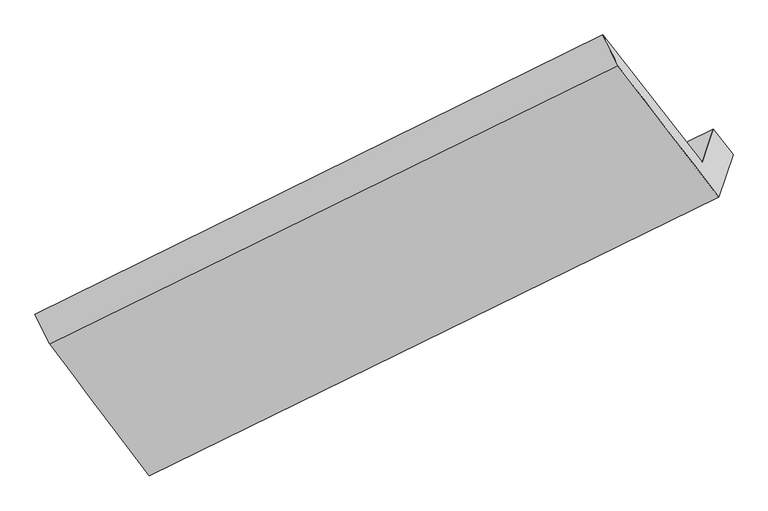
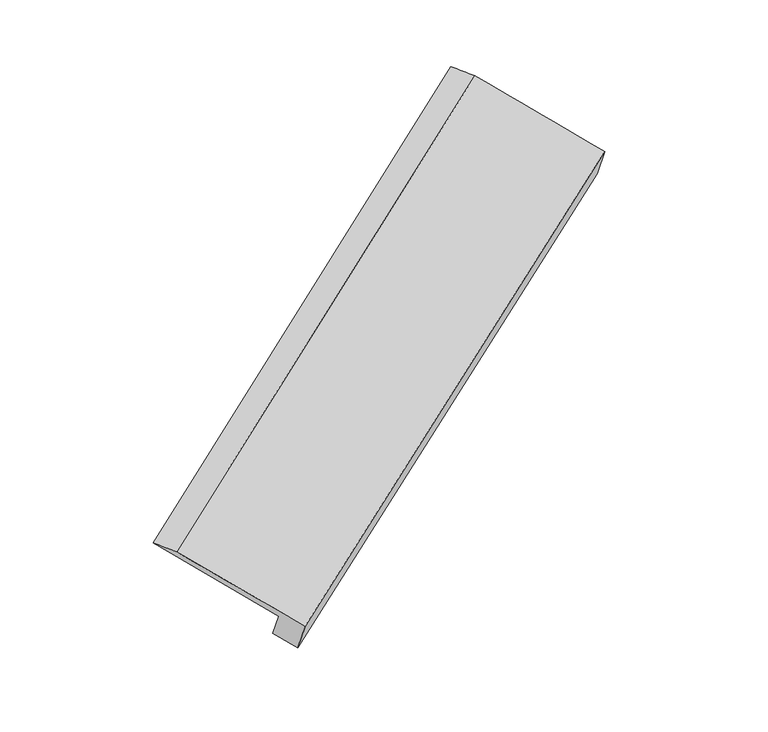
"""IFC4 building model written with IfcOpenShell, lengths in millimetres: proxy geometry."""

import ifcopenshell
import ifcopenshell.guid

model = None  # the IFC model being written
_history = None  # IfcOwnerHistory: only IFC2X3 demands one
_inside = {}  # id of a spatial element -> (the spatial element, [elements in it])
_under = {}  # id of a project, library or spatial element -> (it, [spatial elements below it])
_declared = {}  # id of a project -> (the project, [libraries it declares])
_typed = {}  # id of a type object -> (the type object, [elements of that type])
_made_of = {}  # id of a material, layer set ... -> (it, [elements and type objects made of it])


def new_model(schema):
    """Start an empty IFC model of exactly this schema.

    Asked for "IFC4X3", IfcOpenShell would pick the latest addendum, in which some entities
    have other attributes; the version numbers below select the first issue.
    IFC2X3 requires an IfcOwnerHistory on every rooted entity: one is made here for all.
    """
    global model, _history
    if schema == "IFC4X3":
        model = ifcopenshell.file(schema_version=(4, 3, 0, 0))
    else:
        model = ifcopenshell.file(schema=schema)
    _inside.clear()
    _under.clear()
    _declared.clear()
    _typed.clear()
    _made_of.clear()
    _history = None
    if model.schema == "IFC2X3":
        org = make("IfcOrganization", Name="unknown")
        user = make(
            "IfcPersonAndOrganization",
            ThePerson=make("IfcPerson", FamilyName="unknown"),
            TheOrganization=org,
        )
        app = make(
            "IfcApplication",
            ApplicationDeveloper=org,
            Version="unknown",
            ApplicationFullName="unknown",
            ApplicationIdentifier="unknown",
        )
        _history = make(
            "IfcOwnerHistory",
            OwningUser=user,
            OwningApplication=app,
            ChangeAction="ADDED",
            CreationDate=0,
        )
    return model


def make(cls, **values):
    """One entity of the class cls with the attributes given. An attribute that is None is left unset."""
    return model.create_entity(
        cls, **{name: value for name, value in values.items() if value is not None}
    )


def rooted(cls, **values):
    """An entity with a GlobalId (a new one), such as an element, a storey or a relation."""
    return make(cls, GlobalId=ifcopenshell.guid.new(), OwnerHistory=_history, **values)


def si_unit(unit_type, name, prefix=None):
    """IfcSIUnit, for example si_unit("LENGTHUNIT", "METRE", prefix="MILLI")."""
    return make("IfcSIUnit", UnitType=unit_type, Prefix=prefix, Name=name)


def assignment(units):
    """IfcUnitAssignment: the units of a project."""
    return None if units is None else make("IfcUnitAssignment", Units=units)


def point(xyz):
    """IfcCartesianPoint."""
    return None if xyz is None else make("IfcCartesianPoint", Coordinates=xyz)


def direction(xyz):
    """IfcDirection."""
    return None if xyz is None else make("IfcDirection", DirectionRatios=xyz)


def frame(location, z_axis=None, x_axis=None):
    """IfcAxis2Placement3D, a coordinate frame: its origin and axes. An axis left out is left unset."""
    return make(
        "IfcAxis2Placement3D",
        Location=point(location),
        Axis=direction(z_axis),
        RefDirection=direction(x_axis),
    )


def origin():
    """The frame at (0, 0, 0) with its axes left unset."""
    return frame((0.0, 0.0, 0.0))


def place(relative_to, where):
    """IfcLocalPlacement: puts the frame where relative to a parent placement (None: the world)."""
    return make(
        "IfcLocalPlacement", PlacementRelTo=relative_to, RelativePlacement=where
    )


def context(
    kind, dimensions, precision=None, world=None, true_north=None, identifier=None
):
    """IfcGeometricRepresentationContext, for example the 3D "Model" context."""
    return make(
        "IfcGeometricRepresentationContext",
        ContextIdentifier=identifier,
        ContextType=kind,
        CoordinateSpaceDimension=dimensions,
        Precision=precision,
        WorldCoordinateSystem=world,
        TrueNorth=true_north,
    )


def project(units=None, contexts=None):
    """IfcProject with its units and contexts."""
    return rooted(
        "IfcProject",
        Name="project",
        RepresentationContexts=contexts,
        UnitsInContext=assignment(units),
    )


def spatial(cls, under=None, at=None, **own):
    """A site, building, storey or space (cls), placed at a placement, below another one or the project."""
    s = rooted(cls, ObjectPlacement=at, **own)
    if under is not None:
        _under.setdefault(under.id(), (under, []))[1].append(s)
    return s


def shape(context_of_items, identifier, shape_type, items):
    """IfcShapeRepresentation: the items that make up one representation, for example the "Body"."""
    return make(
        "IfcShapeRepresentation",
        ContextOfItems=context_of_items,
        RepresentationIdentifier=identifier,
        RepresentationType=shape_type,
        Items=items,
    )


def source(mapping_origin, context_of_items, identifier, shape_type, items):
    """IfcRepresentationMap: a shape defined once, which mapped items show again and again."""
    return make(
        "IfcRepresentationMap",
        MappingOrigin=mapping_origin,
        MappedRepresentation=shape(context_of_items, identifier, shape_type, items),
    )


def transform(
    local_origin,
    x_axis=None,
    y_axis=None,
    z_axis=None,
    scale=None,
    scale2=None,
    scale3=None,
    uniform=True,
):
    """IfcCartesianTransformationOperator3D, or its non-uniform kind. x_axis, y_axis, z_axis: its Axis1, 2, 3."""
    if uniform:
        return make(
            "IfcCartesianTransformationOperator3D",
            Axis1=direction(x_axis),
            Axis2=direction(y_axis),
            LocalOrigin=point(local_origin),
            Scale=scale,
            Axis3=direction(z_axis),
        )
    return make(
        "IfcCartesianTransformationOperator3DnonUniform",
        Axis1=direction(x_axis),
        Axis2=direction(y_axis),
        LocalOrigin=point(local_origin),
        Scale=scale,
        Axis3=direction(z_axis),
        Scale2=scale2,
        Scale3=scale3,
    )


def mapped(mapping_source, mapping_target):
    """IfcMappedItem: shows the shape of a source again, moved by a transform."""
    return make(
        "IfcMappedItem", MappingSource=mapping_source, MappingTarget=mapping_target
    )


def made_of(thing, what):
    """Note that an element or type object is made of a material, layer set ...; save() writes the relation."""
    if what is not None:
        _made_of.setdefault(what.id(), (what, []))[1].append(thing)
    return thing


def element(
    cls,
    number,
    at=None,
    inside=None,
    cuts=None,
    type_object=None,
    material=None,
    context=None,
    identifier="Body",
    shape_type=None,
    held_by="IfcProductDefinitionShape",
    body=None,
    shapes=None,
    **own,
):
    """One element of the class cls, such as IfcWall. Its Tag is "e" and its number.

    at: its placement. inside: the storey or other place that contains it. cuts: it is an
    opening in that element (IfcRelVoidsElement). A single representation is given by context,
    identifier, shape_type and body (its items); several are given by shapes. held_by: the class
    of the entity that holds the representations. save() writes the other relations.
    """
    e = rooted(cls, Tag="e%d" % number, ObjectPlacement=at, **own)
    if body is not None:
        shapes = [shape(context, identifier, shape_type, body)]
    if shapes is not None:
        e.Representation = make(held_by, Representations=shapes)
    if inside is not None:
        _inside.setdefault(inside.id(), (inside, []))[1].append(e)
    if cuts is not None:
        rooted(
            "IfcRelVoidsElement", RelatingBuildingElement=cuts, RelatedOpeningElement=e
        )
    if type_object is not None:
        _typed.setdefault(type_object.id(), (type_object, []))[1].append(e)
    return made_of(e, material)


def aggregate(whole, parts):
    """IfcRelAggregates: a whole, such as a stair, and the parts it consists of."""
    return rooted("IfcRelAggregates", RelatingObject=whole, RelatedObjects=parts)


def save(model, path):
    """Write the relations noted so far, then the file.

    IfcRelAggregates (storeys below a building ...), IfcRelContainedInSpatialStructure (elements
    in a storey), IfcRelDefinesByType, IfcRelAssociatesMaterial and IfcRelDeclares: one each for
    every whole, place, type object, material and project.
    """
    for whole, parts in _under.values():
        aggregate(whole, parts)
    for where, things in _inside.values():
        rooted(
            "IfcRelContainedInSpatialStructure",
            RelatedElements=things,
            RelatingStructure=where,
        )
    for kind, things in _typed.values():
        rooted("IfcRelDefinesByType", RelatedObjects=things, RelatingType=kind)
    for what, things in _made_of.values():
        rooted("IfcRelAssociatesMaterial", RelatedObjects=things, RelatingMaterial=what)
    for by, libraries in _declared.values():
        rooted("IfcRelDeclares", RelatingContext=by, RelatedDefinitions=libraries)
    model.write(path)


def plane_surface(at):
    """IfcPlane: the flat surface through the origin of the frame at, square to its z axis."""
    return make("IfcPlane", Position=at)


def spline_surface(u_degree, v_degree, points, u_multiplicities, v_multiplicities, u_knots, v_knots, weights=None):
    """IfcBSplineSurfaceWithKnots; with weights, IfcRationalBSplineSurfaceWithKnots. points: one row for each step in u."""
    own = dict(
        UDegree=u_degree,
        VDegree=v_degree,
        ControlPointsList=[[point(p) for p in row] for row in points],
        SurfaceForm="UNSPECIFIED",
        UClosed=False,
        VClosed=False,
        SelfIntersect=False,
        UMultiplicities=u_multiplicities,
        VMultiplicities=v_multiplicities,
        UKnots=u_knots,
        VKnots=v_knots,
        KnotSpec="UNSPECIFIED",
    )
    if weights is None:
        return make("IfcBSplineSurfaceWithKnots", **own)
    return make("IfcRationalBSplineSurfaceWithKnots", WeightsData=weights, **own)


def advanced_brep(points, edges, surfaces, faces):
    """IfcAdvancedBrep: a solid bounded by faces that lie on surfaces and meet in shared edges.

    An edge is (start, end): straight between two places in points (the first is 0);
    or (start, end, curve); or (start, end, curve, False) where it runs against its curve.
    A face is (place in surfaces, loops), or (place, loops, False) where it looks against
    its surface's normal. A loop lists edges by number (the first is 1), with a minus sign
    where the edge is run from its end to its start. The first loop is the outer one.
    """
    corners = [point(p) for p in points]
    vertices = [make("IfcVertexPoint", VertexGeometry=c) for c in corners]
    made = []
    for start, end, *more in edges:
        made.append(
            make(
                "IfcEdgeCurve",
                EdgeStart=vertices[start],
                EdgeEnd=vertices[end],
                EdgeGeometry=more[0] if more else make("IfcPolyline", Points=[corners[start], corners[end]]),
                SameSense=more[1] if len(more) > 1 else True,
            )
        )
    hull = []
    for where, loops, *sense in faces:
        bounds = []
        for j, loop in enumerate(loops):
            ring = [make("IfcOrientedEdge", EdgeElement=made[abs(k) - 1], Orientation=k > 0) for k in loop]
            bounds.append(
                make(
                    "IfcFaceOuterBound" if j == 0 else "IfcFaceBound",
                    Bound=make("IfcEdgeLoop", EdgeList=ring),
                    Orientation=True,
                )
            )
        hull.append(make("IfcAdvancedFace", Bounds=bounds, FaceSurface=surfaces[where], SameSense=sense[0] if sense else True))
    return make("IfcAdvancedBrep", Outer=make("IfcClosedShell", CfsFaces=hull))


def generic_models_2bc410d6(model_context):
    return source(origin(), model_context, "Body", "AdvancedBrep", [
        advanced_brep(
        [(-5191.9290475, -2843.0157215, -10.6121667), (-5294.4461996, -3146.7881598, 436.2122363), (-46.1555878, -572.3048067, 3355.7454988), (56.7683783, -267.3269222, 2907.147983), (-6196.7563544, -1978.1052574, 1023.716826), (-963.4300244, 603.175624, 3963.9497766), (-6060.8494609, -2247.680751, 1016.6707665), (-823.7714472, 320.5370132, 3961.6034575), (-5144.3293775, -3464.0385955, 445.3971565), (106.7120352, -895.03046, 3364.804276), (-5012.9706924, -3074.8047231, -127.1340239), (238.9266162, -503.2604502, 2788.5426451)],
        [
            (0, 1),
            (1, 2),
            (2, 3),
            (3, 0),
            (1, 4),
            (4, 5),
            (5, 2),
            (4, 6),
            (6, 7),
            (7, 5),
            (6, 8),
            (8, 9),
            (9, 7),
            (8, 10),
            (10, 11),
            (11, 9),
            (10, 0),
            (3, 11),
        ],
        [
            plane_surface(frame((-5243.1876236, -2994.9019407, 212.8000348), z_axis=(-0.566927157116221, 0.7358882982661081, 0.3702188690479336), x_axis=(-0.1864134617054393, -0.5523687566720292, 0.8124892478966053))),
            spline_surface(1, 1, [[(-5294.4461996, -3146.7881598, 436.2122363), (-46.1555878, -572.3048067, 3355.7454988)], [(-6196.7563544, -1978.1052574, 1023.716826), (-963.4300244, 603.175624, 3963.9497766)]], [2, 2], [2, 2], [0.0, 1.0], [0.0, 1.0]),
            spline_surface(1, 1, [[(-6196.7563544, -1978.1052574, 1023.716826), (-963.4300244, 603.175624, 3963.9497766)], [(-6060.8494609, -2247.680751, 1016.6707665), (-823.7714472, 320.5370132, 3961.6034575)]], [2, 2], [2, 2], [0.0, 1.0], [0.0, 1.0]),
            spline_surface(1, 1, [[(-6060.8494609, -2247.680751, 1016.6707665), (-823.7714472, 320.5370132, 3961.6034575)], [(-5144.3293775, -3464.0385955, 445.3971565), (106.7120352, -895.03046, 3364.804276)]], [2, 2], [2, 2], [0.0, 1.0], [0.0, 1.0]),
            plane_surface(frame((-5078.650035, -3269.4216593, 159.1315663), z_axis=(0.5662349237435819, -0.7362257642589938, -0.37060711700446447), x_axis=(0.18641346170544984, 0.5523687566720225, -0.8124892478966075))),
            plane_surface(frame((-5102.44987, -2958.9102223, -68.8730953), z_axis=(0.18266789351963486, 0.5505304349645028, -0.8145849746066368), x_axis=(-0.5678226152899151, 0.7354506413631335, 0.3697158796750238))),
            plane_surface(frame((-238.4916716, -219.0350003, 3390.2989395), z_axis=(0.801765239244206, 0.39242975265789104, 0.4507453719879415), x_axis=(0.18641346170544984, 0.5523687566720225, -0.8124892478966075))),
            plane_surface(frame((-5483.5468554, -2792.4055347, 464.0417991), z_axis=(-0.8017652392441358, -0.3924297526579578, -0.4507453719880081), x_axis=(0.5678226152900046, -0.7354506413630937, -0.3697158796749657))),
        ],
        [
            (0, [[1, 2, 3, 4]]),
            (1, [[5, 6, 7, -2]]),
            (2, [[8, 9, 10, -6]]),
            (3, [[11, 12, 13, -9]]),
            (4, [[14, 15, 16, -12]]),
            (5, [[17, -4, 18, -15]]),
            (6, [[-16, -18, -3, -7, -10, -13]]),
            (7, [[-17, -14, -11, -8, -5, -1]]),
        ],
    ),
    ])


if __name__ == "__main__":
    model = new_model("IFC4")
    model_context = context("Model", 3, world=origin())
    ifc_project = project(units=[si_unit("LENGTHUNIT", "METRE", prefix="MILLI")], contexts=[model_context])
    site = spatial("IfcSite", under=ifc_project)
    building = spatial("IfcBuilding", under=site)
    placement = place(None, origin())
    generic_models_shape = generic_models_2bc410d6(model_context)
    element("IfcBuildingElementProxy", 1, Name="Generic Models", at=placement, inside=building, context=model_context, shape_type="MappedRepresentation", body=[
        mapped(generic_models_shape, transform((0.0, 0.0, 0.0), x_axis=(1.0, 0.0, 0.0), y_axis=(0.0, 1.0, 0.0), z_axis=(0.0, 0.0, 1.0))),
    ])
    save(model, "model.ifc")
